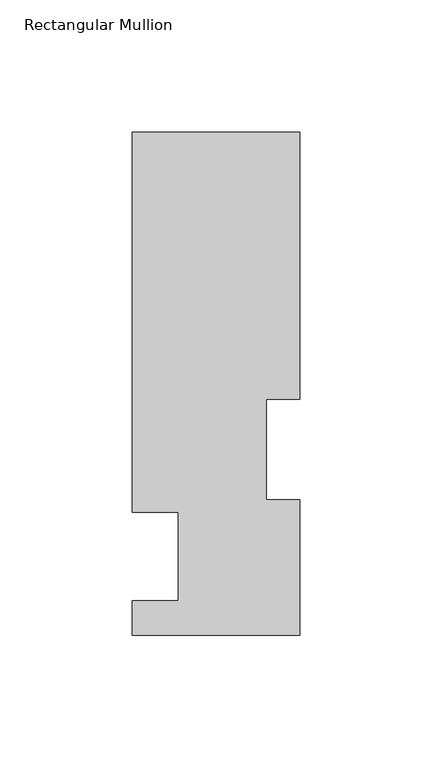
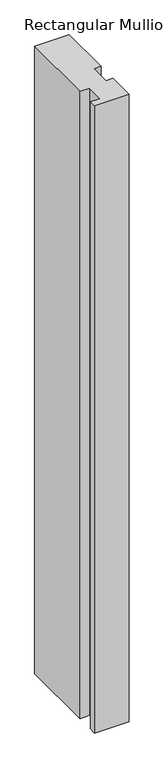
"""IFC4 building model written with IfcOpenShell, lengths in millimetres: member geometry, Rectangular Mullion."""

from ifc_helpers import new_model, si_unit, frame, origin, place, context, project, spatial, polyline, outline, extrude, source, transform, mapped, element, save


def rectangular_mullion_6641fcb2(model_context):
    return source(origin(), model_context, "Body", "SweptSolid", [
        extrude(outline(polyline([(-31.7500003, 46.7447312), (-31.7500003, 190.7881312), (31.7499996, 190.7881312), (31.7499996, 89.5945313), (19.05, 89.5945313), (19.05, 51.4945313), (31.75, 51.4945313), (31.75, 0.2119313), (-31.75, 0.2119313), (-31.75, 13.3945313), (-14.2748, 13.3945313), (-14.2748, 46.7447312), (-31.7500003, 46.7447312)])), frame((0.0, 0.0, -1219.2), z_axis=(0.0, 0.0, 1.0), x_axis=(1.0, 0.0, 0.0)), (0.0, 0.0, 1.0), 1219.2),
    ])


if __name__ == "__main__":
    model = new_model("IFC4")
    model_context = context("Model", 3, world=origin())
    ifc_project = project(units=[si_unit("LENGTHUNIT", "METRE", prefix="MILLI")], contexts=[model_context])
    site = spatial("IfcSite", under=ifc_project)
    building = spatial("IfcBuilding", under=site)
    placement = place(None, origin())
    rectangular_mullion_shape = rectangular_mullion_6641fcb2(model_context)
    element("IfcMember", 1, ObjectType="Rectangular Mullion", at=placement, inside=building, context=model_context, shape_type="MappedRepresentation", body=[
        mapped(rectangular_mullion_shape, transform((0.0, 0.0, 0.0), x_axis=(1.0, 0.0, 0.0), y_axis=(0.0, 1.0, 0.0), z_axis=(0.0, 0.0, 1.0))),
    ])
    save(model, "model.ifc")
